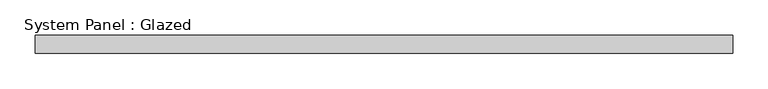
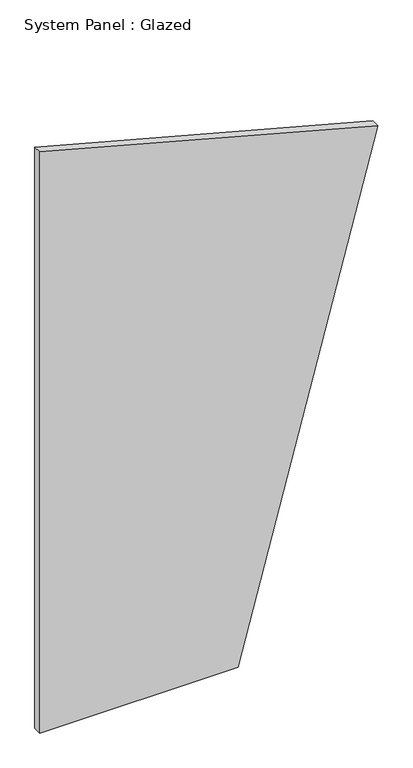
"""IFC4 building model written with IfcOpenShell, lengths in millimetres: plate geometry, System Panel : Glazed."""

from ifc_helpers import new_model, si_unit, frame, origin, place, context, project, spatial, polyline, outline, extrude, source, transform, mapped, element, save


def system_panel_glazed_8f643d73(model_context):
    return source(origin(), model_context, "Body", "SweptSolid", [
        extrude(outline(polyline([(0.0, -491.9614453), (0.0, 84.1708419), (1521.8952506, 491.9614453), (1785.5365946, -491.9614453), (0.0, -491.9614453)])), frame((0.0, -22.5, 0.0), z_axis=(0.0, 1.0, 0.0), x_axis=(0.0, 0.0, 1.0)), (0.0, 0.0, 1.0), 25.0),
    ])


if __name__ == "__main__":
    model = new_model("IFC4")
    model_context = context("Model", 3, world=origin())
    ifc_project = project(units=[si_unit("LENGTHUNIT", "METRE", prefix="MILLI")], contexts=[model_context])
    site = spatial("IfcSite", under=ifc_project)
    building = spatial("IfcBuilding", under=site)
    placement = place(None, origin())
    system_panel_glazed_shape = system_panel_glazed_8f643d73(model_context)
    element("IfcPlate", 1, ObjectType="System Panel : Glazed", at=placement, inside=building, context=model_context, shape_type="MappedRepresentation", body=[
        mapped(system_panel_glazed_shape, transform((0.0, 0.0, 0.0), x_axis=(1.0, 0.0, 0.0), y_axis=(0.0, 1.0, 0.0), z_axis=(0.0, 0.0, 1.0))),
    ])
    save(model, "model.ifc")
